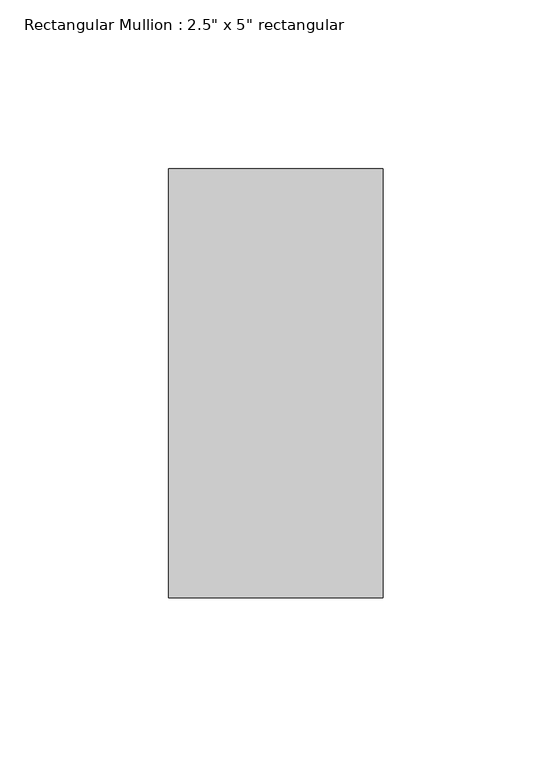
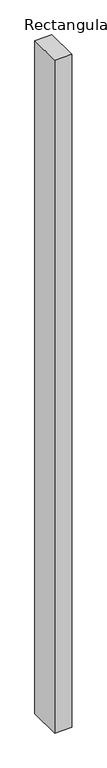
"""IFC4 building model written with IfcOpenShell, lengths in millimetres: member geometry."""

import ifcopenshell
import ifcopenshell.guid

model = None  # the IFC model being written
_history = None  # IfcOwnerHistory: only IFC2X3 demands one
_inside = {}  # id of a spatial element -> (the spatial element, [elements in it])
_under = {}  # id of a project, library or spatial element -> (it, [spatial elements below it])
_declared = {}  # id of a project -> (the project, [libraries it declares])
_typed = {}  # id of a type object -> (the type object, [elements of that type])
_made_of = {}  # id of a material, layer set ... -> (it, [elements and type objects made of it])


def new_model(schema):
    """Start an empty IFC model of exactly this schema.

    Asked for "IFC4X3", IfcOpenShell would pick the latest addendum, in which some entities
    have other attributes; the version numbers below select the first issue.
    IFC2X3 requires an IfcOwnerHistory on every rooted entity: one is made here for all.
    """
    global model, _history
    if schema == "IFC4X3":
        model = ifcopenshell.file(schema_version=(4, 3, 0, 0))
    else:
        model = ifcopenshell.file(schema=schema)
    _inside.clear()
    _under.clear()
    _declared.clear()
    _typed.clear()
    _made_of.clear()
    _history = None
    if model.schema == "IFC2X3":
        org = make("IfcOrganization", Name="unknown")
        user = make(
            "IfcPersonAndOrganization",
            ThePerson=make("IfcPerson", FamilyName="unknown"),
            TheOrganization=org,
        )
        app = make(
            "IfcApplication",
            ApplicationDeveloper=org,
            Version="unknown",
            ApplicationFullName="unknown",
            ApplicationIdentifier="unknown",
        )
        _history = make(
            "IfcOwnerHistory",
            OwningUser=user,
            OwningApplication=app,
            ChangeAction="ADDED",
            CreationDate=0,
        )
    return model


def make(cls, **values):
    """One entity of the class cls with the attributes given. An attribute that is None is left unset."""
    return model.create_entity(
        cls, **{name: value for name, value in values.items() if value is not None}
    )


def rooted(cls, **values):
    """An entity with a GlobalId (a new one), such as an element, a storey or a relation."""
    return make(cls, GlobalId=ifcopenshell.guid.new(), OwnerHistory=_history, **values)


def si_unit(unit_type, name, prefix=None):
    """IfcSIUnit, for example si_unit("LENGTHUNIT", "METRE", prefix="MILLI")."""
    return make("IfcSIUnit", UnitType=unit_type, Prefix=prefix, Name=name)


def assignment(units):
    """IfcUnitAssignment: the units of a project."""
    return None if units is None else make("IfcUnitAssignment", Units=units)


def point(xyz):
    """IfcCartesianPoint."""
    return None if xyz is None else make("IfcCartesianPoint", Coordinates=xyz)


def direction(xyz):
    """IfcDirection."""
    return None if xyz is None else make("IfcDirection", DirectionRatios=xyz)


def frame(location, z_axis=None, x_axis=None):
    """IfcAxis2Placement3D, a coordinate frame: its origin and axes. An axis left out is left unset."""
    return make(
        "IfcAxis2Placement3D",
        Location=point(location),
        Axis=direction(z_axis),
        RefDirection=direction(x_axis),
    )


def origin():
    """The frame at (0, 0, 0) with its axes left unset."""
    return frame((0.0, 0.0, 0.0))


def place(relative_to, where):
    """IfcLocalPlacement: puts the frame where relative to a parent placement (None: the world)."""
    return make(
        "IfcLocalPlacement", PlacementRelTo=relative_to, RelativePlacement=where
    )


def context(
    kind, dimensions, precision=None, world=None, true_north=None, identifier=None
):
    """IfcGeometricRepresentationContext, for example the 3D "Model" context."""
    return make(
        "IfcGeometricRepresentationContext",
        ContextIdentifier=identifier,
        ContextType=kind,
        CoordinateSpaceDimension=dimensions,
        Precision=precision,
        WorldCoordinateSystem=world,
        TrueNorth=true_north,
    )


def project(units=None, contexts=None):
    """IfcProject with its units and contexts."""
    return rooted(
        "IfcProject",
        Name="project",
        RepresentationContexts=contexts,
        UnitsInContext=assignment(units),
    )


def spatial(cls, under=None, at=None, **own):
    """A site, building, storey or space (cls), placed at a placement, below another one or the project."""
    s = rooted(cls, ObjectPlacement=at, **own)
    if under is not None:
        _under.setdefault(under.id(), (under, []))[1].append(s)
    return s


def polyline(points):
    """IfcPolyline through the points."""
    return make("IfcPolyline", Points=[point(p) for p in points])


def outline(outer, holes=None, kind="AREA"):
    """IfcArbitraryClosedProfileDef: a profile drawn as a closed curve; with holes, ...WithVoids."""
    if holes is None:
        return make("IfcArbitraryClosedProfileDef", ProfileType=kind, OuterCurve=outer)
    return make(
        "IfcArbitraryProfileDefWithVoids",
        ProfileType=kind,
        OuterCurve=outer,
        InnerCurves=holes,
    )


def extrude(swept, where, along, depth):
    """IfcExtrudedAreaSolid: the profile swept, set in the frame where, extruded along a direction by depth."""
    return make(
        "IfcExtrudedAreaSolid",
        SweptArea=swept,
        Position=where,
        ExtrudedDirection=direction(along),
        Depth=depth,
    )


def shape(context_of_items, identifier, shape_type, items):
    """IfcShapeRepresentation: the items that make up one representation, for example the "Body"."""
    return make(
        "IfcShapeRepresentation",
        ContextOfItems=context_of_items,
        RepresentationIdentifier=identifier,
        RepresentationType=shape_type,
        Items=items,
    )


def source(mapping_origin, context_of_items, identifier, shape_type, items):
    """IfcRepresentationMap: a shape defined once, which mapped items show again and again."""
    return make(
        "IfcRepresentationMap",
        MappingOrigin=mapping_origin,
        MappedRepresentation=shape(context_of_items, identifier, shape_type, items),
    )


def transform(
    local_origin,
    x_axis=None,
    y_axis=None,
    z_axis=None,
    scale=None,
    scale2=None,
    scale3=None,
    uniform=True,
):
    """IfcCartesianTransformationOperator3D, or its non-uniform kind. x_axis, y_axis, z_axis: its Axis1, 2, 3."""
    if uniform:
        return make(
            "IfcCartesianTransformationOperator3D",
            Axis1=direction(x_axis),
            Axis2=direction(y_axis),
            LocalOrigin=point(local_origin),
            Scale=scale,
            Axis3=direction(z_axis),
        )
    return make(
        "IfcCartesianTransformationOperator3DnonUniform",
        Axis1=direction(x_axis),
        Axis2=direction(y_axis),
        LocalOrigin=point(local_origin),
        Scale=scale,
        Axis3=direction(z_axis),
        Scale2=scale2,
        Scale3=scale3,
    )


def mapped(mapping_source, mapping_target):
    """IfcMappedItem: shows the shape of a source again, moved by a transform."""
    return make(
        "IfcMappedItem", MappingSource=mapping_source, MappingTarget=mapping_target
    )


def made_of(thing, what):
    """Note that an element or type object is made of a material, layer set ...; save() writes the relation."""
    if what is not None:
        _made_of.setdefault(what.id(), (what, []))[1].append(thing)
    return thing


def element(
    cls,
    number,
    at=None,
    inside=None,
    cuts=None,
    type_object=None,
    material=None,
    context=None,
    identifier="Body",
    shape_type=None,
    held_by="IfcProductDefinitionShape",
    body=None,
    shapes=None,
    **own,
):
    """One element of the class cls, such as IfcWall. Its Tag is "e" and its number.

    at: its placement. inside: the storey or other place that contains it. cuts: it is an
    opening in that element (IfcRelVoidsElement). A single representation is given by context,
    identifier, shape_type and body (its items); several are given by shapes. held_by: the class
    of the entity that holds the representations. save() writes the other relations.
    """
    e = rooted(cls, Tag="e%d" % number, ObjectPlacement=at, **own)
    if body is not None:
        shapes = [shape(context, identifier, shape_type, body)]
    if shapes is not None:
        e.Representation = make(held_by, Representations=shapes)
    if inside is not None:
        _inside.setdefault(inside.id(), (inside, []))[1].append(e)
    if cuts is not None:
        rooted(
            "IfcRelVoidsElement", RelatingBuildingElement=cuts, RelatedOpeningElement=e
        )
    if type_object is not None:
        _typed.setdefault(type_object.id(), (type_object, []))[1].append(e)
    return made_of(e, material)


def aggregate(whole, parts):
    """IfcRelAggregates: a whole, such as a stair, and the parts it consists of."""
    return rooted("IfcRelAggregates", RelatingObject=whole, RelatedObjects=parts)


def save(model, path):
    """Write the relations noted so far, then the file.

    IfcRelAggregates (storeys below a building ...), IfcRelContainedInSpatialStructure (elements
    in a storey), IfcRelDefinesByType, IfcRelAssociatesMaterial and IfcRelDeclares: one each for
    every whole, place, type object, material and project.
    """
    for whole, parts in _under.values():
        aggregate(whole, parts)
    for where, things in _inside.values():
        rooted(
            "IfcRelContainedInSpatialStructure",
            RelatedElements=things,
            RelatingStructure=where,
        )
    for kind, things in _typed.values():
        rooted("IfcRelDefinesByType", RelatedObjects=things, RelatingType=kind)
    for what, things in _made_of.values():
        rooted("IfcRelAssociatesMaterial", RelatedObjects=things, RelatingMaterial=what)
    for by, libraries in _declared.values():
        rooted("IfcRelDeclares", RelatingContext=by, RelatedDefinitions=libraries)
    model.write(path)


def member_71c7872d(model_context):
    return source(origin(), model_context, "Body", "SweptSolid", [
        extrude(outline(polyline([(31.75, 63.5), (31.75, -63.5), (-31.75, -63.5), (-31.75, 63.5), (31.75, 63.5)])), frame((0.0, 0.0, -2647.95), z_axis=(0.0, 0.0, 1.0), x_axis=(1.0, 0.0, 0.0)), (0.0, 0.0, 1.0), 2647.95),
    ])


if __name__ == "__main__":
    model = new_model("IFC4")
    model_context = context("Model", 3, world=origin())
    ifc_project = project(units=[si_unit("LENGTHUNIT", "METRE", prefix="MILLI")], contexts=[model_context])
    site = spatial("IfcSite", under=ifc_project)
    building = spatial("IfcBuilding", under=site)
    placement = place(None, origin())
    member_shape = member_71c7872d(model_context)
    element("IfcMember", 1, ObjectType="Rectangular Mullion : 2.5\" x 5\" rectangular", at=placement, inside=building, context=model_context, shape_type="MappedRepresentation", body=[
        mapped(member_shape, transform((0.0, 0.0, 0.0), x_axis=(1.0, 0.0, 0.0), y_axis=(0.0, 1.0, 0.0), z_axis=(0.0, 0.0, 1.0))),
    ])
    save(model, "model.ifc")
